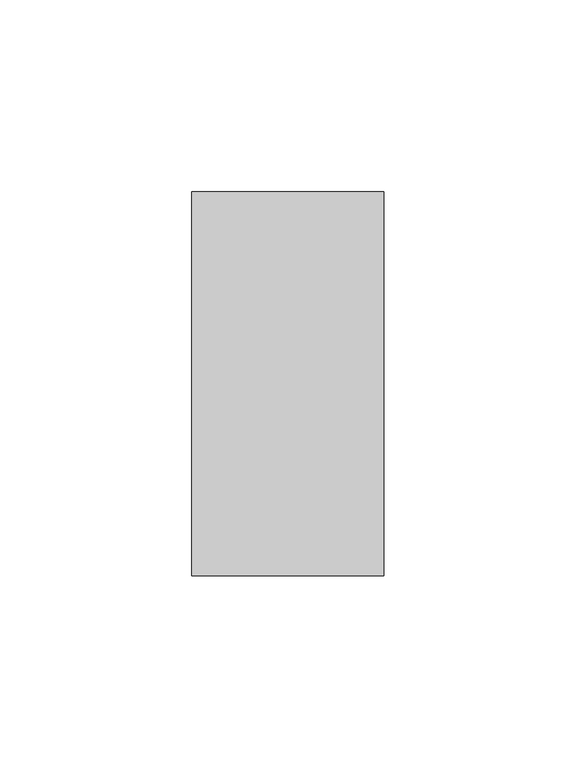
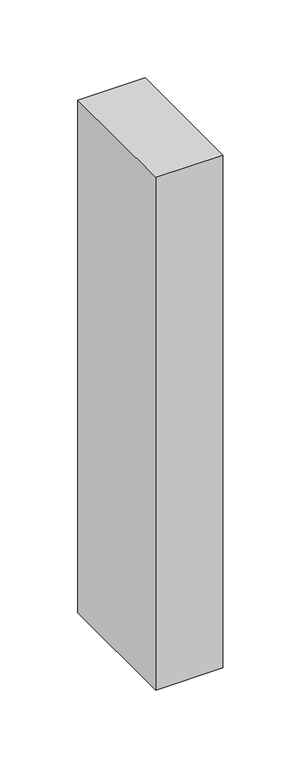
"""IFC4 building model written with IfcOpenShell, lengths in millimetres: member geometry."""

from ifc_helpers import new_model, si_unit, frame, origin, place, context, project, spatial, polyline, outline, extrude, source, transform, mapped, element, save


def member_94814187(model_context):
    return source(origin(), model_context, "Body", "SweptSolid", [
        extrude(outline(polyline([(0.0, 50.0), (0.0, -50.0), (-50.0, -50.0), (-50.0, 50.0), (0.0, 50.0)])), frame((0.0, 0.0, -402.3076923), z_axis=(0.0, 0.0, 1.0), x_axis=(1.0, 0.0, 0.0)), (0.0, 0.0, 1.0), 402.3076923),
    ])


if __name__ == "__main__":
    model = new_model("IFC4")
    model_context = context("Model", 3, world=origin())
    ifc_project = project(units=[si_unit("LENGTHUNIT", "METRE", prefix="MILLI")], contexts=[model_context])
    site = spatial("IfcSite", under=ifc_project)
    building = spatial("IfcBuilding", under=site)
    placement = place(None, origin())
    member_shape = member_94814187(model_context)
    element("IfcMember", 1, at=placement, inside=building, context=model_context, shape_type="MappedRepresentation", body=[
        mapped(member_shape, transform((0.0, 0.0, 0.0), x_axis=(1.0, 0.0, 0.0), y_axis=(0.0, 1.0, 0.0), z_axis=(0.0, 0.0, 1.0))),
    ])
    save(model, "model.ifc")
